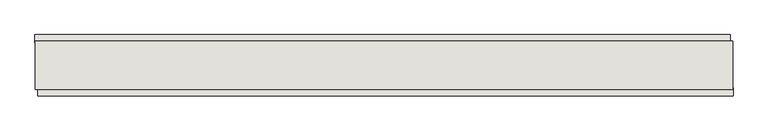
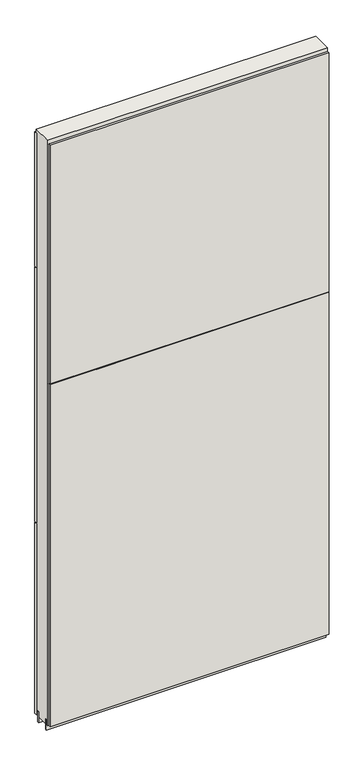
"""IFC4 building model written with IfcOpenShell, lengths in millimetres: wall geometry."""

from ifc_helpers import new_model, si_unit, frame, origin, place, context, project, spatial, polyline, outline, extrude, source, transform, mapped, element, save


def wall_1c338389(model_context):
    return source(origin(), model_context, "Body", "SweptSolid", [
        extrude(outline(polyline([(61006.968918, -52822.2095954), (61009.508918, -52822.2095954), (61009.508918, -52824.7495954), (61006.968918, -52824.7495954), (61006.968918, -52822.2095954)])), frame((0.0, 0.0, 4419.6), z_axis=(0.0, 0.0, 1.0), x_axis=(1.0, 0.0, 0.0)), (0.0, 0.0, 1.0), 2.54),
        extrude(outline(polyline([(61009.9741825, -52874.2795954), (59854.5739787, -52874.2795954), (59854.5739787, -52861.5795954), (61009.9741825, -52861.5795954), (61009.9741825, -52874.2795954)])), frame((0.0, 0.0, 5945.6000722), z_axis=(0.0, 0.0, 1.0), x_axis=(1.0, 0.0, 0.0)), (0.0, 0.0, 1.0), 1044.449905),
        extrude(outline(polyline([(61009.9741825, -52874.2795954), (59854.5739787, -52874.2795954), (59854.5739787, -52861.5795954), (61009.9741825, -52861.5795954), (61009.9741825, -52874.2795954)])), frame((0.0, 0.0, 4445.0), z_axis=(0.0, 0.0, 1.0), x_axis=(1.0, 0.0, 0.0)), (0.0, 0.0, 1.0), 1496.600004),
        extrude(outline(polyline([(59849.6440419, -52772.6795954), (61005.0442457, -52772.6795954), (61005.0442457, -52785.3795954), (59849.6440419, -52785.3795954), (59849.6440419, -52772.6795954)])), frame((0.0, 0.0, 6402.8000722), z_axis=(0.0, 0.0, 1.0), x_axis=(1.0, 0.0, 0.0)), (0.0, 0.0, 1.0), 587.2498034),
        extrude(outline(polyline([(59849.6440419, -52772.6795954), (61005.0442457, -52772.6795954), (61005.0442457, -52785.3795954), (59849.6440419, -52785.3795954), (59849.6440419, -52772.6795954)])), frame((0.0, 0.0, 5285.2000722), z_axis=(0.0, 0.0, 1.0), x_axis=(1.0, 0.0, 0.0)), (0.0, 0.0, 1.0), 1113.5999572),
        extrude(outline(polyline([(59849.6440419, -52772.6795954), (61005.0442457, -52772.6795954), (61005.0442457, -52785.3795954), (59849.6440419, -52785.3795954), (59849.6440419, -52772.6795954)])), frame((0.0, 0.0, 4445.0), z_axis=(0.0, 0.0, 1.0), x_axis=(1.0, 0.0, 0.0)), (0.0, 0.0, 1.0), 836.200004),
        extrude(outline(polyline([(59850.0956666, -52848.56334), (61009.503965, -52848.56334), (61009.503965, -52853.6420954), (59850.0956666, -52853.6420954), (59850.0956666, -52848.56334)])), frame((0.0, 0.0, 4418.6602), z_axis=(0.0, 0.0, 1.0), x_axis=(1.0, 0.0, 0.0)), (0.0, 0.0, 1.0), 47.625),
        extrude(outline(polyline([(59850.0956666, -52848.56334), (61009.503965, -52848.56334), (61009.503965, -52853.6420954), (59850.0956666, -52853.6420954), (59850.0956666, -52848.56334)])), frame((0.0, 0.0, 4418.6602), z_axis=(0.0, 0.0, 1.0), x_axis=(1.0, 0.0, 0.0)), (0.0, 0.0, 1.0), 47.625),
        extrude(outline(polyline([(61009.503965, -52798.3958508), (59850.0956666, -52798.3958508), (59850.0956666, -52793.3170954), (61009.503965, -52793.3170954), (61009.503965, -52798.3958508)])), frame((0.0, 0.0, 4418.6602), z_axis=(0.0, 0.0, 1.0), x_axis=(1.0, 0.0, 0.0)), (0.0, 0.0, 1.0), 47.625),
        extrude(outline(polyline([(61009.503965, -52798.3958508), (59850.0956666, -52798.3958508), (59850.0956666, -52793.3170954), (61009.503965, -52793.3170954), (61009.503965, -52798.3958508)])), frame((0.0, 0.0, 4418.6602), z_axis=(0.0, 0.0, 1.0), x_axis=(1.0, 0.0, 0.0)), (0.0, 0.0, 1.0), 47.625),
        extrude(outline(polyline([(59850.120457, -52864.1282822), (59850.120457, -52782.824711), (61009.503965, -52782.824711), (61009.503965, -52864.1282822), (59850.120457, -52864.1282822)])), frame((0.0, 0.0, 4445.0), z_axis=(0.0, 0.0, 1.0), x_axis=(1.0, 0.0, 0.0)), (0.0, 0.0, 1.0), 2562.4536762),
    ])


if __name__ == "__main__":
    model = new_model("IFC4")
    model_context = context("Model", 3, world=origin())
    ifc_project = project(units=[si_unit("LENGTHUNIT", "METRE", prefix="MILLI")], contexts=[model_context])
    site = spatial("IfcSite", under=ifc_project)
    building = spatial("IfcBuilding", under=site)
    placement = place(None, origin())
    wall_shape = wall_1c338389(model_context)
    element("IfcWall", 1, at=placement, inside=building, context=model_context, shape_type="MappedRepresentation", body=[
        mapped(wall_shape, transform((0.0, 0.0, 0.0), x_axis=(1.0, 0.0, 0.0), y_axis=(0.0, 1.0, 0.0), z_axis=(0.0, 0.0, 1.0))),
    ])
    save(model, "model.ifc")
